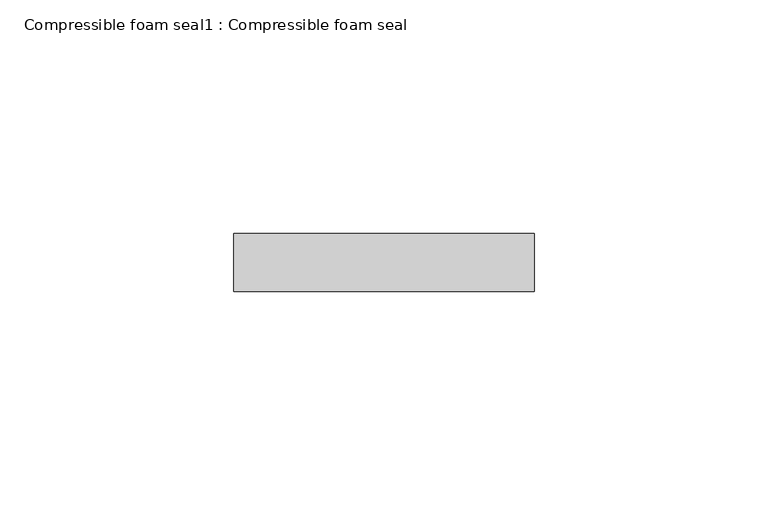
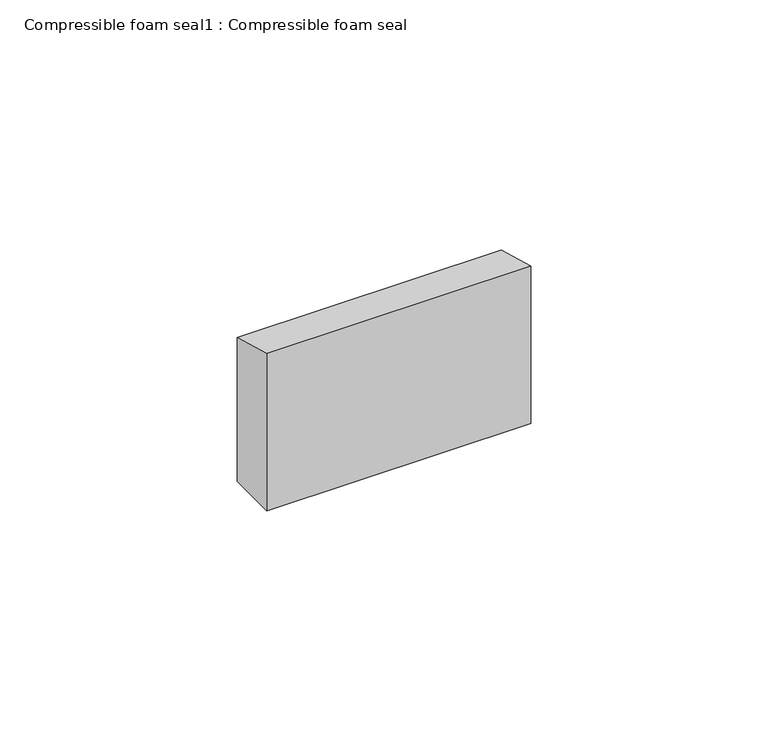
"""IFC4 building model written with IfcOpenShell, lengths in millimetres: proxy geometry, Compressible foam seal1 : Compressible foam seal."""

from ifc_helpers import new_model, si_unit, frame, origin, place, context, project, spatial, polyline, outline, extrude, source, transform, mapped, element, save


def compressible_foam_seal1_compressible_foam_seal_1cceacd9(model_context):
    return source(origin(), model_context, "Body", "SweptSolid", [
        extrude(outline(polyline([(659.8333305, 306.4551735), (672.2344915, 303.1322924), (672.2344915, 265.9589997), (659.8333305, 265.9589997), (659.8333305, 306.4551735)])), frame((12427.9710614, 0.0, 0.0), z_axis=(1.0, 0.0, 0.0), x_axis=(0.0, 1.0, 0.0)), (0.0, 0.0, 1.0), 64.3831172),
    ])


if __name__ == "__main__":
    model = new_model("IFC4")
    model_context = context("Model", 3, world=origin())
    ifc_project = project(units=[si_unit("LENGTHUNIT", "METRE", prefix="MILLI")], contexts=[model_context])
    site = spatial("IfcSite", under=ifc_project)
    building = spatial("IfcBuilding", under=site)
    placement = place(None, origin())
    compressible_foam_seal1_compressible_foam_seal_shape = compressible_foam_seal1_compressible_foam_seal_1cceacd9(model_context)
    element("IfcBuildingElementProxy", 1, Name="Compressible foam seal1 : Compressible foam seal", ObjectType="Compressible foam seal1 : Compressible foam seal", at=placement, inside=building, context=model_context, shape_type="MappedRepresentation", body=[
        mapped(compressible_foam_seal1_compressible_foam_seal_shape, transform((0.0, 0.0, 0.0), x_axis=(1.0, 0.0, 0.0), y_axis=(0.0, 1.0, 0.0), z_axis=(0.0, 0.0, 1.0))),
    ])
    save(model, "model.ifc")
